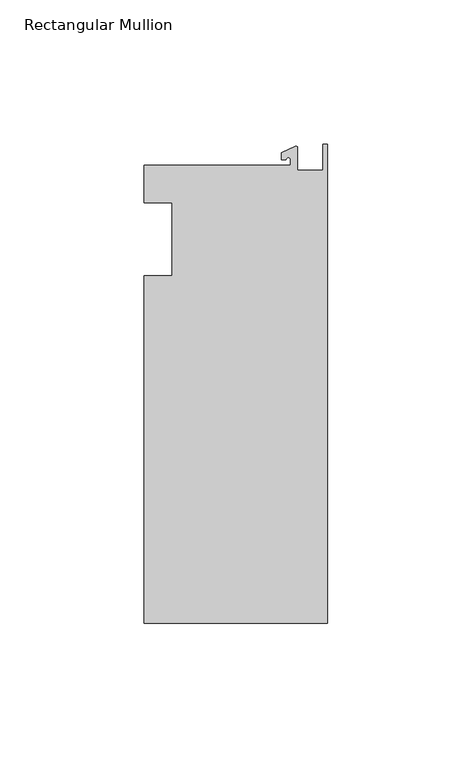
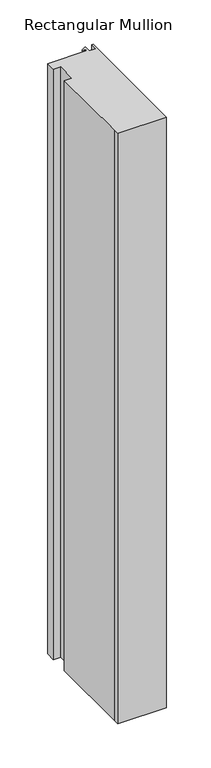
"""IFC4 building model written with IfcOpenShell, lengths in millimetres: member geometry, Rectangular Mullion."""

from ifc_helpers import new_model, si_unit, point, frame, frame_2d, origin, place, context, project, spatial, polyline, circle_curve, trimmed, segment, composite_curve, outline, extrude, source, transform, mapped, element, save


def rectangular_mullion_6524e9ff(model_context):
    return source(origin(), model_context, "Body", "SweptSolid", [
        extrude(outline(composite_curve([segment(polyline([(-12.8216721, 25.5984375), (-12.8216721, 27.5208534)]), True, "CONTINUOUS"), segment(trimmed(circle_curve(frame_2d((-13.6154221, 27.5208534)), 0.79375), [point((-12.8216721, 27.5208534))], [point((-14.4091721, 27.5208534))], True, "CARTESIAN"), True, "CONTINUOUS"), segment(polyline([(-14.4091721, 27.5208534), (-15.9966721, 27.5208534), (-15.9966721, 29.8830527), (-11.1567622, 32.1399398)]), True, "CONTINUOUS"), segment(trimmed(circle_curve(frame_2d((-10.9420721, 31.6795354)), 0.508), [point((-11.1567622, 32.1399398))], [point((-10.4340721, 31.6795354))], False, "CARTESIAN"), True, "CONTINUOUS"), segment(polyline([(-10.4340721, 31.6795354), (-10.4340721, 23.9227662), (-1.7144124, 23.9227662), (-1.5566453, 32.810012), (0.0, 32.810012), (0.0, -132.822512), (-63.5, -132.822512), (-63.5, -125.075512), (-63.5, -12.7), (-53.975, -12.7), (-53.975, 12.7), (-63.5, 12.7), (-63.5, 25.5984375), (-12.8216721, 25.5984375)]), True, "CONTINUOUS")], self_intersect=False)), frame((0.0, 0.0, -812.8), z_axis=(0.0, 0.0, 1.0), x_axis=(1.0, 0.0, 0.0)), (0.0, 0.0, 1.0), 812.8),
    ])


if __name__ == "__main__":
    model = new_model("IFC4")
    model_context = context("Model", 3, world=origin())
    ifc_project = project(units=[si_unit("LENGTHUNIT", "METRE", prefix="MILLI")], contexts=[model_context])
    site = spatial("IfcSite", under=ifc_project)
    building = spatial("IfcBuilding", under=site)
    placement = place(None, origin())
    rectangular_mullion_shape = rectangular_mullion_6524e9ff(model_context)
    element("IfcMember", 1, ObjectType="Rectangular Mullion", at=placement, inside=building, context=model_context, shape_type="MappedRepresentation", body=[
        mapped(rectangular_mullion_shape, transform((0.0, 0.0, 0.0), x_axis=(1.0, 0.0, 0.0), y_axis=(0.0, 1.0, 0.0), z_axis=(0.0, 0.0, 1.0))),
    ])
    save(model, "model.ifc")
